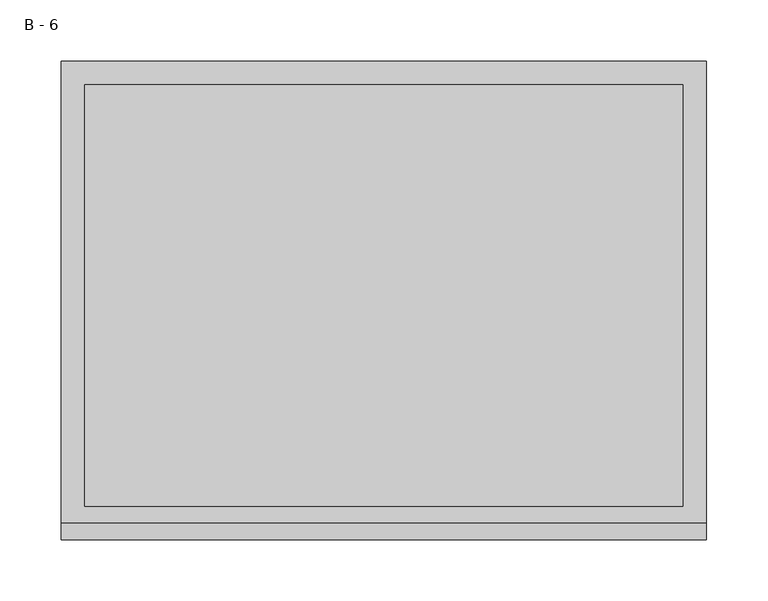
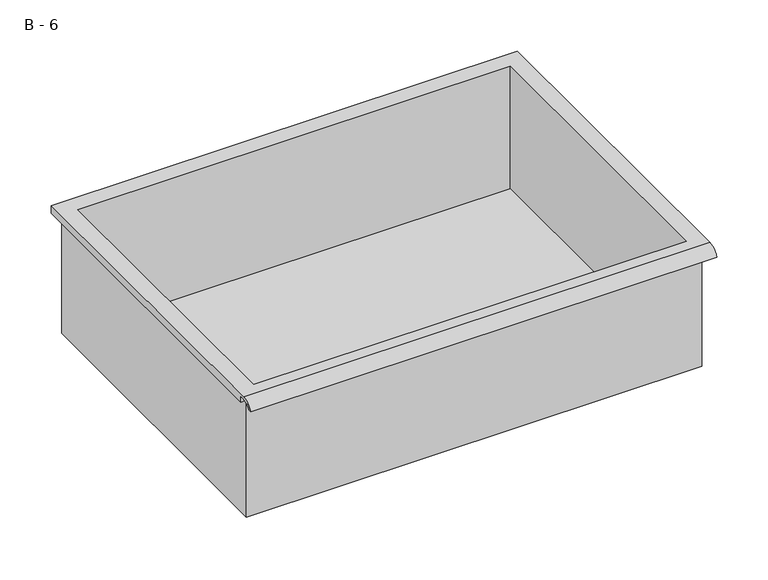
"""IFC4 building model written with IfcOpenShell, lengths in millimetres: furniture geometry, B - 6."""

from ifc_helpers import new_model, si_unit, frame, origin, place, context, project, spatial, polyline, circle_curve, source, transform, mapped, element, save
from ifc_brep_helpers import plane_surface, cylinder_surface, revolved_surface, advanced_brep


def b_6_96b1ab3c(model_context):
    return source(origin(), model_context, "Body", "AdvancedBrep", [
        advanced_brep(
        [(-257.1076517, -176.2125, 323.5579), (257.2423483, -176.2125, 323.5579), (257.2423483, -176.2125, 463.2579), (263.5923483, -176.2125, 463.2579), (263.5923483, -176.2125, 469.5650341), (-263.4576517, -176.2125, 469.5650341), (-263.4576517, -176.2125, 463.2579), (-257.1076517, -176.2125, 463.2579), (257.2423483, 185.7375, 323.5579), (-257.1076517, 185.7375, 323.5579), (-257.1076517, 185.7375, 463.2579), (257.2423483, 185.7375, 463.2579), (263.5923483, -181.6070544, 472.7829), (263.5923483, 195.2625, 472.7829), (-263.4576517, 195.2625, 472.7829), (-263.4576517, -181.6070544, 472.7829), (244.5423483, -168.275, 472.7829), (-244.4076517, -168.275, 472.7829), (-244.4076517, 176.2125, 472.7829), (244.5423483, 176.2125, 472.7829), (263.5923483, -195.2625, 463.2579), (263.5923483, -191.8280601, 463.2579), (263.5923483, -180.4714815, 469.5650341), (263.5923483, 195.2625, 463.2579), (-263.4576517, 195.2625, 463.2579), (-263.4576517, -180.4714815, 469.5650341), (-263.4576517, -191.8280601, 463.2579), (-263.4576517, -195.2625, 463.2579), (-244.4076517, -168.275, 326.5840719), (244.5423483, -168.275, 326.5840719), (244.5423483, 176.2125, 326.5840719), (-244.4076517, 176.2125, 326.5840719)],
        [
            (0, 1),
            (1, 2),
            (2, 3),
            (3, 4),
            (4, 5),
            (5, 6),
            (6, 7),
            (7, 0),
            (8, 9),
            (9, 10),
            (10, 11),
            (11, 8),
            (0, 9),
            (8, 1),
            (11, 2),
            (12, 13),
            (13, 14),
            (14, 15),
            (15, 12),
            (16, 17),
            (17, 18),
            (18, 19),
            (19, 16),
            (7, 10),
            (12, 20, circle_curve(frame((263.5923483, -181.6070544, 458.2318859), z_axis=(1.0, 0.0, 0.0), x_axis=(0.0, 1.0, 0.0)), 14.5510141)),
            (20, 21),
            (21, 22, circle_curve(frame((263.5923483, -181.6070544, 458.2318859), z_axis=(-1.0, 0.0, 0.0), x_axis=(0.0, 1.0, 0.0)), 11.3898979)),
            (22, 4),
            (3, 23),
            (23, 13),
            (14, 24),
            (24, 6),
            (5, 25),
            (25, 26, circle_curve(frame((-263.4576517, -181.6070544, 458.2318859), z_axis=(1.0, 0.0, 0.0), x_axis=(0.0, 1.0, 0.0)), 11.3898979)),
            (26, 27),
            (27, 15, circle_curve(frame((-263.4576517, -181.6070544, 458.2318859), z_axis=(-1.0, 0.0, 0.0), x_axis=(0.0, 1.0, 0.0)), 14.5510141)),
            (27, 20),
            (26, 21),
            (25, 22),
            (24, 23),
            (28, 29),
            (29, 30),
            (30, 31),
            (31, 28),
            (28, 17),
            (16, 29),
            (19, 30),
            (18, 31),
        ],
        [
            plane_surface(frame((257.2423483, -176.2125, 323.5579), z_axis=(0.0, -1.0, 0.0), x_axis=(1.0, 0.0, 0.0))),
            plane_surface(frame((257.2423483, 185.7375, 323.5579), z_axis=(0.0, 1.0, 0.0), x_axis=(-1.0, 0.0, 0.0))),
            plane_surface(frame((-257.1076517, -176.2125, 323.5579), z_axis=(0.0, 0.0, -1.0), x_axis=(0.0, 1.0, 0.0))),
            plane_surface(frame((257.2423483, -176.2125, 323.5579), z_axis=(1.0, 0.0, 0.0), x_axis=(0.0, 1.0, 0.0))),
            plane_surface(frame((257.2423483, -176.2125, 472.7829), z_axis=(0.0, 0.0, 1.0), x_axis=(0.0, 1.0, 0.0))),
            plane_surface(frame((-257.1076517, -176.2125, 472.7829), z_axis=(-1.0, 0.0, 0.0), x_axis=(0.0, 1.0, 0.0))),
            plane_surface(frame((263.5923483, 195.2625, 472.7829), z_axis=(1.0, 0.0, 0.0), x_axis=(0.0, -1.0, 0.0))),
            plane_surface(frame((-263.4576517, 195.2625, 472.7829), z_axis=(-1.0, 0.0, 0.0), x_axis=(0.0, 1.0, 0.0))),
            cylinder_surface(frame((-263.4576517, -181.6070544, 458.2318859), z_axis=(1.0, 0.0, 0.0), x_axis=(0.0, 1.0, 0.0)), 14.5510141),
            plane_surface(frame((263.5923483, -195.2625, 463.2579), z_axis=(0.0, -7.251821180145916e-12, -1.0), x_axis=(-1.0, 0.0, 0.0))),
            revolved_surface(polyline([(-263.4576517, -170.21715650000002, 458.2318859), (263.59234829999997, -170.21715650000002, 458.2318859)]), (-263.4576517, -181.6070544, 458.2318859), (-1.0, 0.0, 0.0)),
            plane_surface(frame((263.5923483, -180.4714815, 469.5650341), z_axis=(0.0, -1.7988537739368175e-11, -1.0), x_axis=(-1.0, 0.0, 0.0))),
            plane_surface(frame((263.5923483, -176.2125, 463.2579), z_axis=(0.0, 0.0, -1.0), x_axis=(-1.0, 0.0, 0.0))),
            plane_surface(frame((263.5923483, 195.2625, 463.2579), z_axis=(0.0, 1.0, 0.0), x_axis=(-1.0, 0.0, 0.0))),
            plane_surface(frame((244.5423483, -168.275, 326.5840719), z_axis=(0.0, 0.0, 1.0), x_axis=(-1.0, 0.0, 0.0))),
            plane_surface(frame((-244.4076517, -168.275, 472.7829), z_axis=(0.0, 1.0, 0.0), x_axis=(0.0, 0.0, -1.0))),
            plane_surface(frame((244.5423483, -168.275, 472.7829), z_axis=(-1.0, 0.0, 0.0), x_axis=(0.0, 0.0, -1.0))),
            plane_surface(frame((244.5423483, 176.2125, 472.7829), z_axis=(0.0, -1.0, 0.0), x_axis=(0.0, 0.0, -1.0))),
            plane_surface(frame((-244.4076517, 176.2125, 472.7829), z_axis=(1.0, 0.0, 0.0), x_axis=(0.0, 0.0, -1.0))),
        ],
        [
            (0, [[1, 2, 3, 4, 5, 6, 7, 8]]),
            (1, [[9, 10, 11, 12]]),
            (2, [[-1, 13, -9, 14]]),
            (3, [[-14, -12, 15, -2]]),
            (4, [[16, 17, 18, 19], [20, 21, 22, 23]]),
            (5, [[-13, -8, 24, -10]]),
            (6, [[-16, 25, 26, 27, 28, -4, 29, 30]]),
            (7, [[31, 32, -6, 33, 34, 35, 36, -18]]),
            (8, [[-25, -19, -36, 37]]),
            (9, [[-26, -37, -35, 38]]),
            (10, [[-27, -38, -34, 39]]),
            (11, [[-28, -39, -33, -5]]),
            (12, [[-29, -3, -15, -11, -24, -7, -32, 40]]),
            (13, [[-30, -40, -31, -17]]),
            (14, [[41, 42, 43, 44]]),
            (15, [[-41, 45, -20, 46]]),
            (16, [[-42, -46, -23, 47]]),
            (17, [[-43, -47, -22, 48]]),
            (18, [[-44, -48, -21, -45]]),
        ],
    ),
    ])


if __name__ == "__main__":
    model = new_model("IFC4")
    model_context = context("Model", 3, world=origin())
    ifc_project = project(units=[si_unit("LENGTHUNIT", "METRE", prefix="MILLI")], contexts=[model_context])
    site = spatial("IfcSite", under=ifc_project)
    building = spatial("IfcBuilding", under=site)
    placement = place(None, origin())
    b_6_shape = b_6_96b1ab3c(model_context)
    element("IfcFurniture", 1, ObjectType="B - 6", at=placement, inside=building, context=model_context, shape_type="MappedRepresentation", body=[
        mapped(b_6_shape, transform((0.0, 0.0, 0.0), x_axis=(1.0, 0.0, 0.0), y_axis=(0.0, 1.0, 0.0), z_axis=(0.0, 0.0, 1.0))),
    ])
    save(model, "model.ifc")
